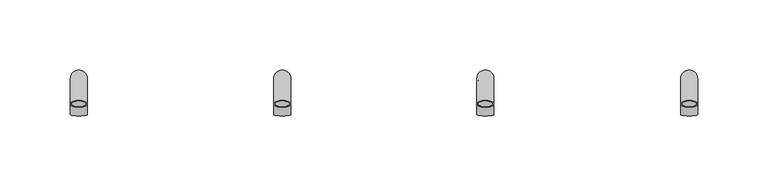
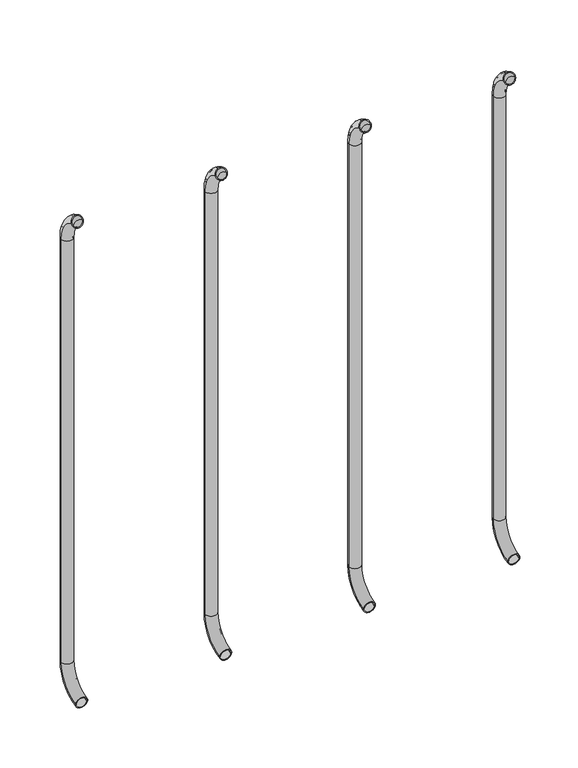
"""IFC4 building model written with IfcOpenShell, lengths in millimetres: beam geometry."""

from ifc_helpers import new_model, si_unit, point, frame, origin, place, context, project, spatial, polyline, circle_curve, ellipse_curve, trimmed, source, transform, mapped, element, save
from ifc_brep_helpers import plane_surface, cylinder_surface, revolved_surface, advanced_brep


def beam_fe28a446(model_context):
    return source(origin(), model_context, "Body", "AdvancedBrep", [
        advanced_brep(
        [(1286.5883695, 2847.768865, 1917.1908893), (1274.5883695, 2847.768865, 1917.1908893), (1285.5883695, 2847.768865, 1917.1908893), (1275.5883695, 2847.768865, 1917.1908893), (1275.5883695, 2865.8454818, 1889.6621238), (1285.5883695, 2865.8454818, 1889.6621238), (1274.5883695, 2865.8454818, 1889.6621238), (1286.5883695, 2865.8454818, 1889.6621238), (1285.5883695, 2865.8454818, 1440.7084898), (1275.5883695, 2865.8454818, 1440.7084898), (1286.5883695, 2865.8454818, 1440.7084898), (1274.5883695, 2865.8454818, 1440.7084898), (1286.5883695, 2840.2259057, 1411.0300146), (1274.5883695, 2840.2259057, 1411.0300146), (1285.5883695, 2840.2259057, 1411.0300146), (1275.5883695, 2840.2259057, 1411.0300146)],
        [
            (0, 1, circle_curve(frame((1280.5883695, 2847.768865, 1917.1908893), z_axis=(0.0, -0.9176255197351176, 0.3974461039321624), x_axis=(-1.0, 0.0, 0.0)), 6.0)),
            (1, 0, circle_curve(frame((1280.5883695, 2847.768865, 1917.1908893), z_axis=(0.0, -0.9176255197351176, 0.3974461039321624), x_axis=(-1.0, 0.0, 0.0)), 6.0)),
            (2, 3, circle_curve(frame((1280.5883695, 2847.768865, 1917.1908893), z_axis=(0.0, 0.9176255197351176, -0.3974461039321624), x_axis=(-1.0, 0.0, 0.0)), 5.0)),
            (3, 2, circle_curve(frame((1280.5883695, 2847.768865, 1917.1908893), z_axis=(0.0, 0.9176255197351176, -0.3974461039321624), x_axis=(-1.0, 0.0, 0.0)), 5.0)),
            (4, 3, circle_curve(frame((1275.5883695, 2835.8454818, 1889.6621238), z_axis=(1.0, 0.0, 0.0), x_axis=(0.0, 0.3974461039321624, 0.9176255197351176)), 30.0)),
            (2, 5, circle_curve(frame((1285.5883695, 2835.8454818, 1889.6621238), z_axis=(-1.0, 0.0, 0.0), x_axis=(0.0, 0.3974461039321624, 0.9176255197351176)), 30.0)),
            (5, 4, circle_curve(frame((1280.5883695, 2865.8454818, 1889.6621238), z_axis=(0.0, 0.0, -1.0), x_axis=(-1.0, 0.0, 0.0)), 5.0)),
            (4, 5, circle_curve(frame((1280.5883695, 2865.8454818, 1889.6621238), z_axis=(0.0, 0.0, -1.0), x_axis=(-1.0, 0.0, 0.0)), 5.0)),
            (6, 1, circle_curve(frame((1274.5883695, 2835.8454818, 1889.6621238), z_axis=(1.0, 0.0, 0.0), x_axis=(0.0, 0.3974461039321624, 0.9176255197351176)), 30.0)),
            (0, 7, circle_curve(frame((1286.5883695, 2835.8454818, 1889.6621238), z_axis=(-1.0, 0.0, 0.0), x_axis=(0.0, 0.3974461039321624, 0.9176255197351176)), 30.0)),
            (7, 6, circle_curve(frame((1280.5883695, 2865.8454818, 1889.6621238), z_axis=(0.0, 0.0, 1.0), x_axis=(-1.0, 0.0, 0.0)), 6.0)),
            (6, 7, circle_curve(frame((1280.5883695, 2865.8454818, 1889.6621238), z_axis=(0.0, 0.0, 1.0), x_axis=(-1.0, 0.0, 0.0)), 6.0)),
            (5, 8),
            (8, 9, circle_curve(frame((1280.5883695, 2865.8454818, 1440.7084898), z_axis=(0.0, 0.0, -1.0), x_axis=(-1.0, 0.0, 0.0)), 5.0)),
            (9, 4),
            (9, 8, circle_curve(frame((1280.5883695, 2865.8454818, 1440.7084898), z_axis=(0.0, 0.0, -1.0), x_axis=(-1.0, 0.0, 0.0)), 5.0)),
            (7, 10),
            (10, 11, circle_curve(frame((1280.5883695, 2865.8454818, 1440.7084898), z_axis=(0.0, 0.0, 1.0), x_axis=(-1.0, 0.0, 0.0)), 6.0)),
            (11, 6),
            (11, 10, circle_curve(frame((1280.5883695, 2865.8454818, 1440.7084898), z_axis=(0.0, 0.0, 1.0), x_axis=(-1.0, 0.0, 0.0)), 6.0)),
            (12, 13, circle_curve(frame((1280.5883695, 2840.2259057, 1411.0300146), z_axis=(0.0, -0.9892825047438852, -0.14601412879466394), x_axis=(-1.0, 0.0, 0.0)), 6.0)),
            (13, 12, circle_curve(frame((1280.5883695, 2840.2259057, 1411.0300146), z_axis=(0.0, -0.9892825047438852, -0.14601412879466394), x_axis=(-1.0, 0.0, 0.0)), 6.0)),
            (14, 15, circle_curve(frame((1280.5883695, 2840.2259057, 1411.0300146), z_axis=(0.0, 0.9892825047438852, 0.14601412879466394), x_axis=(-1.0, 0.0, 0.0)), 5.0)),
            (15, 14, circle_curve(frame((1280.5883695, 2840.2259057, 1411.0300146), z_axis=(0.0, 0.9892825047438852, 0.14601412879466394), x_axis=(-1.0, 0.0, 0.0)), 5.0)),
            (15, 9, circle_curve(frame((1275.5883695, 2835.8454818, 1440.7084898), z_axis=(1.0, 0.0, 0.0), x_axis=(0.0, 1.0, 0.0)), 30.0)),
            (8, 14, circle_curve(frame((1285.5883695, 2835.8454818, 1440.7084898), z_axis=(-1.0, 0.0, 0.0), x_axis=(0.0, 1.0, 0.0)), 30.0)),
            (13, 11, circle_curve(frame((1274.5883695, 2835.8454818, 1440.7084898), z_axis=(1.0, 0.0, 0.0), x_axis=(0.0, 1.0, 0.0)), 30.0)),
            (10, 12, circle_curve(frame((1286.5883695, 2835.8454818, 1440.7084898), z_axis=(-1.0, 0.0, 0.0), x_axis=(0.0, 1.0, 0.0)), 30.0)),
        ],
        [
            plane_surface(frame((1280.5883695, 2847.768865, 1917.1908893), z_axis=(0.0, -0.9176255197351176, 0.3974461039321624), x_axis=(-1.0, 0.0, 0.0))),
            revolved_surface(trimmed(ellipse_curve(frame((1280.5883695, 2847.768865, 1917.1908893), z_axis=(0.0, 0.9176255197351176, -0.3974461039321624), x_axis=(-1.0, 0.0, 0.0)), 5.0, 5.0), [point((1285.5883695, 2847.768865, 1917.1908893))], [point((1275.5883695, 2847.768865, 1917.1908893))], True, "CARTESIAN"), (1280.5883695, 2835.8454818, 1889.6621238), (-1.0, 0.0, 0.0)),
            revolved_surface(trimmed(ellipse_curve(frame((1280.5883695, 2847.768865, 1917.1908893), z_axis=(0.0, 0.9176255197351176, -0.3974461039321624), x_axis=(-1.0, 0.0, 0.0)), 5.0, 5.0), [point((1275.5883695, 2847.768865, 1917.1908893))], [point((1285.5883695, 2847.768865, 1917.1908893))], True, "CARTESIAN"), (1280.5883695, 2835.8454818, 1889.6621238), (-1.0, 0.0, 0.0)),
            revolved_surface(trimmed(ellipse_curve(frame((1280.5883695, 2847.768865, 1917.1908893), z_axis=(0.0, -0.9176255197351176, 0.3974461039321624), x_axis=(-1.0, 0.0, 0.0)), 6.0, 6.0), [point((1286.5883695, 2847.768865, 1917.1908893))], [point((1274.5883695, 2847.768865, 1917.1908893))], True, "CARTESIAN"), (1280.5883695, 2835.8454818, 1889.6621238), (-1.0, 0.0, 0.0)),
            revolved_surface(trimmed(ellipse_curve(frame((1280.5883695, 2847.768865, 1917.1908893), z_axis=(0.0, -0.9176255197351176, 0.3974461039321624), x_axis=(-1.0, 0.0, 0.0)), 6.0, 6.0), [point((1274.5883695, 2847.768865, 1917.1908893))], [point((1286.5883695, 2847.768865, 1917.1908893))], True, "CARTESIAN"), (1280.5883695, 2835.8454818, 1889.6621238), (-1.0, 0.0, 0.0)),
            revolved_surface(polyline([(1275.5883695, 2865.8454818, 1440.7084898), (1275.5883695, 2865.8454818, 1889.6621238)]), (1280.5883695, 2865.8454818, 1889.6621238), (0.0, 0.0, -1.0)),
            cylinder_surface(frame((1280.5883695, 2865.8454818, 1889.6621238), z_axis=(0.0, 0.0, 1.0), x_axis=(-1.0, 0.0, 0.0)), 6.0),
            plane_surface(frame((1280.5883695, 2840.2259057, 1411.0300146), z_axis=(0.0, -0.9892825047438852, -0.14601412879466397), x_axis=(-1.0, 0.0, 0.0))),
            revolved_surface(trimmed(ellipse_curve(frame((1280.5883695, 2865.8454818, 1440.7084898), z_axis=(0.0, 0.0, -1.0), x_axis=(-1.0, 0.0, 0.0)), 5.0, 5.0), [point((1285.5883695, 2865.8454818, 1440.7084898))], [point((1275.5883695, 2865.8454818, 1440.7084898))], True, "CARTESIAN"), (1280.5883695, 2835.8454818, 1440.7084898), (-1.0, 0.0, 0.0)),
            revolved_surface(trimmed(ellipse_curve(frame((1280.5883695, 2865.8454818, 1440.7084898), z_axis=(0.0, 0.0, -1.0), x_axis=(-1.0, 0.0, 0.0)), 5.0, 5.0), [point((1275.5883695, 2865.8454818, 1440.7084898))], [point((1285.5883695, 2865.8454818, 1440.7084898))], True, "CARTESIAN"), (1280.5883695, 2835.8454818, 1440.7084898), (-1.0, 0.0, 0.0)),
            revolved_surface(trimmed(ellipse_curve(frame((1280.5883695, 2865.8454818, 1440.7084898), z_axis=(0.0, 0.0, 1.0), x_axis=(-1.0, 0.0, 0.0)), 6.0, 6.0), [point((1286.5883695, 2865.8454818, 1440.7084898))], [point((1274.5883695, 2865.8454818, 1440.7084898))], True, "CARTESIAN"), (1280.5883695, 2835.8454818, 1440.7084898), (-1.0, 0.0, 0.0)),
            revolved_surface(trimmed(ellipse_curve(frame((1280.5883695, 2865.8454818, 1440.7084898), z_axis=(0.0, 0.0, 1.0), x_axis=(-1.0, 0.0, 0.0)), 6.0, 6.0), [point((1274.5883695, 2865.8454818, 1440.7084898))], [point((1286.5883695, 2865.8454818, 1440.7084898))], True, "CARTESIAN"), (1280.5883695, 2835.8454818, 1440.7084898), (-1.0, 0.0, 0.0)),
        ],
        [
            (0, [[1, 2], [3, 4]]),
            (1, [[5, -3, 6, 7]]),
            (2, [[-6, -4, -5, 8]]),
            (3, [[9, -1, 10, 11]]),
            (4, [[-10, -2, -9, 12]]),
            (5, [[-7, 13, 14, 15]]),
            (5, [[-8, -15, 16, -13]]),
            (6, [[-11, 17, 18, 19]]),
            (6, [[-12, -19, 20, -17]]),
            (7, [[21, 22], [23, 24]]),
            (8, [[25, -14, 26, -24]]),
            (9, [[-26, -16, -25, -23]]),
            (10, [[27, -18, 28, -22]]),
            (11, [[-28, -20, -27, -21]]),
        ],
    ),
        advanced_brep(
        [(1431.2758695, 2847.768865, 1917.1908893), (1419.2758695, 2847.768865, 1917.1908893), (1430.2758695, 2847.768865, 1917.1908893), (1420.2758695, 2847.768865, 1917.1908893), (1420.2758695, 2865.8454818, 1889.6621238), (1430.2758695, 2865.8454818, 1889.6621238), (1419.2758695, 2865.8454818, 1889.6621238), (1431.2758695, 2865.8454818, 1889.6621238), (1430.2758695, 2865.8454818, 1440.7084898), (1420.2758695, 2865.8454818, 1440.7084898), (1431.2758695, 2865.8454818, 1440.7084898), (1419.2758695, 2865.8454818, 1440.7084898), (1431.2758695, 2840.2259057, 1411.0300146), (1419.2758695, 2840.2259057, 1411.0300146), (1430.2758695, 2840.2259057, 1411.0300146), (1420.2758695, 2840.2259057, 1411.0300146)],
        [
            (0, 1, circle_curve(frame((1425.2758695, 2847.768865, 1917.1908893), z_axis=(0.0, -0.9176255197351176, 0.3974461039321624), x_axis=(-1.0, 0.0, 0.0)), 6.0)),
            (1, 0, circle_curve(frame((1425.2758695, 2847.768865, 1917.1908893), z_axis=(0.0, -0.9176255197351176, 0.3974461039321624), x_axis=(-1.0, 0.0, 0.0)), 6.0)),
            (2, 3, circle_curve(frame((1425.2758695, 2847.768865, 1917.1908893), z_axis=(0.0, 0.9176255197351176, -0.3974461039321624), x_axis=(-1.0, 0.0, 0.0)), 5.0)),
            (3, 2, circle_curve(frame((1425.2758695, 2847.768865, 1917.1908893), z_axis=(0.0, 0.9176255197351176, -0.3974461039321624), x_axis=(-1.0, 0.0, 0.0)), 5.0)),
            (4, 3, circle_curve(frame((1420.2758695, 2835.8454818, 1889.6621238), z_axis=(1.0, 0.0, 0.0), x_axis=(0.0, 0.3974461039321624, 0.9176255197351176)), 30.0)),
            (2, 5, circle_curve(frame((1430.2758695, 2835.8454818, 1889.6621238), z_axis=(-1.0, 0.0, 0.0), x_axis=(0.0, 0.3974461039321624, 0.9176255197351176)), 30.0)),
            (5, 4, circle_curve(frame((1425.2758695, 2865.8454818, 1889.6621238), z_axis=(0.0, 0.0, -1.0), x_axis=(-1.0, 0.0, 0.0)), 5.0)),
            (4, 5, circle_curve(frame((1425.2758695, 2865.8454818, 1889.6621238), z_axis=(0.0, 0.0, -1.0), x_axis=(-1.0, 0.0, 0.0)), 5.0)),
            (6, 1, circle_curve(frame((1419.2758695, 2835.8454818, 1889.6621238), z_axis=(1.0, 0.0, 0.0), x_axis=(0.0, 0.3974461039321624, 0.9176255197351176)), 30.0)),
            (0, 7, circle_curve(frame((1431.2758695, 2835.8454818, 1889.6621238), z_axis=(-1.0, 0.0, 0.0), x_axis=(0.0, 0.3974461039321624, 0.9176255197351176)), 30.0)),
            (7, 6, circle_curve(frame((1425.2758695, 2865.8454818, 1889.6621238), z_axis=(0.0, 0.0, 1.0), x_axis=(-1.0, 0.0, 0.0)), 6.0)),
            (6, 7, circle_curve(frame((1425.2758695, 2865.8454818, 1889.6621238), z_axis=(0.0, 0.0, 1.0), x_axis=(-1.0, 0.0, 0.0)), 6.0)),
            (5, 8),
            (8, 9, circle_curve(frame((1425.2758695, 2865.8454818, 1440.7084898), z_axis=(0.0, 0.0, -1.0), x_axis=(-1.0, 0.0, 0.0)), 5.0)),
            (9, 4),
            (9, 8, circle_curve(frame((1425.2758695, 2865.8454818, 1440.7084898), z_axis=(0.0, 0.0, -1.0), x_axis=(-1.0, 0.0, 0.0)), 5.0)),
            (7, 10),
            (10, 11, circle_curve(frame((1425.2758695, 2865.8454818, 1440.7084898), z_axis=(0.0, 0.0, 1.0), x_axis=(-1.0, 0.0, 0.0)), 6.0)),
            (11, 6),
            (11, 10, circle_curve(frame((1425.2758695, 2865.8454818, 1440.7084898), z_axis=(0.0, 0.0, 1.0), x_axis=(-1.0, 0.0, 0.0)), 6.0)),
            (12, 13, circle_curve(frame((1425.2758695, 2840.2259057, 1411.0300146), z_axis=(0.0, -0.9892825047438852, -0.14601412879466394), x_axis=(-1.0, 0.0, 0.0)), 6.0)),
            (13, 12, circle_curve(frame((1425.2758695, 2840.2259057, 1411.0300146), z_axis=(0.0, -0.9892825047438852, -0.14601412879466394), x_axis=(-1.0, 0.0, 0.0)), 6.0)),
            (14, 15, circle_curve(frame((1425.2758695, 2840.2259057, 1411.0300146), z_axis=(0.0, 0.9892825047438852, 0.14601412879466394), x_axis=(-1.0, 0.0, 0.0)), 5.0)),
            (15, 14, circle_curve(frame((1425.2758695, 2840.2259057, 1411.0300146), z_axis=(0.0, 0.9892825047438852, 0.14601412879466394), x_axis=(-1.0, 0.0, 0.0)), 5.0)),
            (15, 9, circle_curve(frame((1420.2758695, 2835.8454818, 1440.7084898), z_axis=(1.0, 0.0, 0.0), x_axis=(0.0, 1.0, 0.0)), 30.0)),
            (8, 14, circle_curve(frame((1430.2758695, 2835.8454818, 1440.7084898), z_axis=(-1.0, 0.0, 0.0), x_axis=(0.0, 1.0, 0.0)), 30.0)),
            (13, 11, circle_curve(frame((1419.2758695, 2835.8454818, 1440.7084898), z_axis=(1.0, 0.0, 0.0), x_axis=(0.0, 1.0, 0.0)), 30.0)),
            (10, 12, circle_curve(frame((1431.2758695, 2835.8454818, 1440.7084898), z_axis=(-1.0, 0.0, 0.0), x_axis=(0.0, 1.0, 0.0)), 30.0)),
        ],
        [
            plane_surface(frame((1425.2758695, 2847.768865, 1917.1908893), z_axis=(0.0, -0.9176255197351176, 0.3974461039321624), x_axis=(-1.0, 0.0, 0.0))),
            revolved_surface(trimmed(ellipse_curve(frame((1425.2758695, 2847.768865, 1917.1908893), z_axis=(0.0, 0.9176255197351176, -0.3974461039321624), x_axis=(-1.0, 0.0, 0.0)), 5.0, 5.0), [point((1430.2758695, 2847.768865, 1917.1908893))], [point((1420.2758695, 2847.768865, 1917.1908893))], True, "CARTESIAN"), (1425.2758695, 2835.8454818, 1889.6621238), (-1.0, 0.0, 0.0)),
            revolved_surface(trimmed(ellipse_curve(frame((1425.2758695, 2847.768865, 1917.1908893), z_axis=(0.0, 0.9176255197351176, -0.3974461039321624), x_axis=(-1.0, 0.0, 0.0)), 5.0, 5.0), [point((1420.2758695, 2847.768865, 1917.1908893))], [point((1430.2758695, 2847.768865, 1917.1908893))], True, "CARTESIAN"), (1425.2758695, 2835.8454818, 1889.6621238), (-1.0, 0.0, 0.0)),
            revolved_surface(trimmed(ellipse_curve(frame((1425.2758695, 2847.768865, 1917.1908893), z_axis=(0.0, -0.9176255197351176, 0.3974461039321624), x_axis=(-1.0, 0.0, 0.0)), 6.0, 6.0), [point((1431.2758695, 2847.768865, 1917.1908893))], [point((1419.2758695, 2847.768865, 1917.1908893))], True, "CARTESIAN"), (1425.2758695, 2835.8454818, 1889.6621238), (-1.0, 0.0, 0.0)),
            revolved_surface(trimmed(ellipse_curve(frame((1425.2758695, 2847.768865, 1917.1908893), z_axis=(0.0, -0.9176255197351176, 0.3974461039321624), x_axis=(-1.0, 0.0, 0.0)), 6.0, 6.0), [point((1419.2758695, 2847.768865, 1917.1908893))], [point((1431.2758695, 2847.768865, 1917.1908893))], True, "CARTESIAN"), (1425.2758695, 2835.8454818, 1889.6621238), (-1.0, 0.0, 0.0)),
            revolved_surface(polyline([(1420.2758695, 2865.8454818, 1440.7084898), (1420.2758695, 2865.8454818, 1889.6621238)]), (1425.2758695, 2865.8454818, 1889.6621238), (0.0, 0.0, -1.0)),
            cylinder_surface(frame((1425.2758695, 2865.8454818, 1889.6621238), z_axis=(0.0, 0.0, 1.0), x_axis=(-1.0, 0.0, 0.0)), 6.0),
            plane_surface(frame((1425.2758695, 2840.2259057, 1411.0300146), z_axis=(0.0, -0.9892825047438852, -0.14601412879466397), x_axis=(-1.0, 0.0, 0.0))),
            revolved_surface(trimmed(ellipse_curve(frame((1425.2758695, 2865.8454818, 1440.7084898), z_axis=(0.0, 0.0, -1.0), x_axis=(-1.0, 0.0, 0.0)), 5.0, 5.0), [point((1430.2758695, 2865.8454818, 1440.7084898))], [point((1420.2758695, 2865.8454818, 1440.7084898))], True, "CARTESIAN"), (1425.2758695, 2835.8454818, 1440.7084898), (-1.0, 0.0, 0.0)),
            revolved_surface(trimmed(ellipse_curve(frame((1425.2758695, 2865.8454818, 1440.7084898), z_axis=(0.0, 0.0, -1.0), x_axis=(-1.0, 0.0, 0.0)), 5.0, 5.0), [point((1420.2758695, 2865.8454818, 1440.7084898))], [point((1430.2758695, 2865.8454818, 1440.7084898))], True, "CARTESIAN"), (1425.2758695, 2835.8454818, 1440.7084898), (-1.0, 0.0, 0.0)),
            revolved_surface(trimmed(ellipse_curve(frame((1425.2758695, 2865.8454818, 1440.7084898), z_axis=(0.0, 0.0, 1.0), x_axis=(-1.0, 0.0, 0.0)), 6.0, 6.0), [point((1431.2758695, 2865.8454818, 1440.7084898))], [point((1419.2758695, 2865.8454818, 1440.7084898))], True, "CARTESIAN"), (1425.2758695, 2835.8454818, 1440.7084898), (-1.0, 0.0, 0.0)),
            revolved_surface(trimmed(ellipse_curve(frame((1425.2758695, 2865.8454818, 1440.7084898), z_axis=(0.0, 0.0, 1.0), x_axis=(-1.0, 0.0, 0.0)), 6.0, 6.0), [point((1419.2758695, 2865.8454818, 1440.7084898))], [point((1431.2758695, 2865.8454818, 1440.7084898))], True, "CARTESIAN"), (1425.2758695, 2835.8454818, 1440.7084898), (-1.0, 0.0, 0.0)),
        ],
        [
            (0, [[1, 2], [3, 4]]),
            (1, [[5, -3, 6, 7]]),
            (2, [[-6, -4, -5, 8]]),
            (3, [[9, -1, 10, 11]]),
            (4, [[-10, -2, -9, 12]]),
            (5, [[-7, 13, 14, 15]]),
            (5, [[-8, -15, 16, -13]]),
            (6, [[-11, 17, 18, 19]]),
            (6, [[-12, -19, 20, -17]]),
            (7, [[21, 22], [23, 24]]),
            (8, [[25, -14, 26, -24]]),
            (9, [[-26, -16, -25, -23]]),
            (10, [[27, -18, 28, -22]]),
            (11, [[-28, -20, -27, -21]]),
        ],
    ),
        advanced_brep(
        [(1575.6508695, 2847.768865, 1917.1908893), (1563.6508695, 2847.768865, 1917.1908893), (1574.6508695, 2847.768865, 1917.1908893), (1564.6508695, 2847.768865, 1917.1908893), (1564.6508695, 2865.8454818, 1889.6621238), (1574.6508695, 2865.8454818, 1889.6621238), (1563.6508695, 2865.8454818, 1889.6621238), (1575.6508695, 2865.8454818, 1889.6621238), (1574.6508695, 2865.8454818, 1440.7084898), (1564.6508695, 2865.8454818, 1440.7084898), (1575.6508695, 2865.8454818, 1440.7084898), (1563.6508695, 2865.8454818, 1440.7084898), (1575.6508695, 2840.2259057, 1411.0300146), (1563.6508695, 2840.2259057, 1411.0300146), (1574.6508695, 2840.2259057, 1411.0300146), (1564.6508695, 2840.2259057, 1411.0300146)],
        [
            (0, 1, circle_curve(frame((1569.6508695, 2847.768865, 1917.1908893), z_axis=(0.0, -0.9176255197351176, 0.3974461039321624), x_axis=(-1.0, 0.0, 0.0)), 6.0)),
            (1, 0, circle_curve(frame((1569.6508695, 2847.768865, 1917.1908893), z_axis=(0.0, -0.9176255197351176, 0.3974461039321624), x_axis=(-1.0, 0.0, 0.0)), 6.0)),
            (2, 3, circle_curve(frame((1569.6508695, 2847.768865, 1917.1908893), z_axis=(0.0, 0.9176255197351176, -0.3974461039321624), x_axis=(-1.0, 0.0, 0.0)), 5.0)),
            (3, 2, circle_curve(frame((1569.6508695, 2847.768865, 1917.1908893), z_axis=(0.0, 0.9176255197351176, -0.3974461039321624), x_axis=(-1.0, 0.0, 0.0)), 5.0)),
            (4, 3, circle_curve(frame((1564.6508695, 2835.8454818, 1889.6621238), z_axis=(1.0, 0.0, 0.0), x_axis=(0.0, 0.3974461039321624, 0.9176255197351176)), 30.0)),
            (2, 5, circle_curve(frame((1574.6508695, 2835.8454818, 1889.6621238), z_axis=(-1.0, 0.0, 0.0), x_axis=(0.0, 0.3974461039321624, 0.9176255197351176)), 30.0)),
            (5, 4, circle_curve(frame((1569.6508695, 2865.8454818, 1889.6621238), z_axis=(0.0, 0.0, -1.0), x_axis=(-1.0, 0.0, 0.0)), 5.0)),
            (4, 5, circle_curve(frame((1569.6508695, 2865.8454818, 1889.6621238), z_axis=(0.0, 0.0, -1.0), x_axis=(-1.0, 0.0, 0.0)), 5.0)),
            (6, 1, circle_curve(frame((1563.6508695, 2835.8454818, 1889.6621238), z_axis=(1.0, 0.0, 0.0), x_axis=(0.0, 0.3974461039321624, 0.9176255197351176)), 30.0)),
            (0, 7, circle_curve(frame((1575.6508695, 2835.8454818, 1889.6621238), z_axis=(-1.0, 0.0, 0.0), x_axis=(0.0, 0.3974461039321624, 0.9176255197351176)), 30.0)),
            (7, 6, circle_curve(frame((1569.6508695, 2865.8454818, 1889.6621238), z_axis=(0.0, 0.0, 1.0), x_axis=(-1.0, 0.0, 0.0)), 6.0)),
            (6, 7, circle_curve(frame((1569.6508695, 2865.8454818, 1889.6621238), z_axis=(0.0, 0.0, 1.0), x_axis=(-1.0, 0.0, 0.0)), 6.0)),
            (5, 8),
            (8, 9, circle_curve(frame((1569.6508695, 2865.8454818, 1440.7084898), z_axis=(0.0, 0.0, -1.0), x_axis=(-1.0, 0.0, 0.0)), 5.0)),
            (9, 4),
            (9, 8, circle_curve(frame((1569.6508695, 2865.8454818, 1440.7084898), z_axis=(0.0, 0.0, -1.0), x_axis=(-1.0, 0.0, 0.0)), 5.0)),
            (7, 10),
            (10, 11, circle_curve(frame((1569.6508695, 2865.8454818, 1440.7084898), z_axis=(0.0, 0.0, 1.0), x_axis=(-1.0, 0.0, 0.0)), 6.0)),
            (11, 6),
            (11, 10, circle_curve(frame((1569.6508695, 2865.8454818, 1440.7084898), z_axis=(0.0, 0.0, 1.0), x_axis=(-1.0, 0.0, 0.0)), 6.0)),
            (12, 13, circle_curve(frame((1569.6508695, 2840.2259057, 1411.0300146), z_axis=(0.0, -0.9892825047438852, -0.14601412879466394), x_axis=(-1.0, 0.0, 0.0)), 6.0)),
            (13, 12, circle_curve(frame((1569.6508695, 2840.2259057, 1411.0300146), z_axis=(0.0, -0.9892825047438852, -0.14601412879466394), x_axis=(-1.0, 0.0, 0.0)), 6.0)),
            (14, 15, circle_curve(frame((1569.6508695, 2840.2259057, 1411.0300146), z_axis=(0.0, 0.9892825047438852, 0.14601412879466394), x_axis=(-1.0, 0.0, 0.0)), 5.0)),
            (15, 14, circle_curve(frame((1569.6508695, 2840.2259057, 1411.0300146), z_axis=(0.0, 0.9892825047438852, 0.14601412879466394), x_axis=(-1.0, 0.0, 0.0)), 5.0)),
            (15, 9, circle_curve(frame((1564.6508695, 2835.8454818, 1440.7084898), z_axis=(1.0, 0.0, 0.0), x_axis=(0.0, 1.0, 0.0)), 30.0)),
            (8, 14, circle_curve(frame((1574.6508695, 2835.8454818, 1440.7084898), z_axis=(-1.0, 0.0, 0.0), x_axis=(0.0, 1.0, 0.0)), 30.0)),
            (13, 11, circle_curve(frame((1563.6508695, 2835.8454818, 1440.7084898), z_axis=(1.0, 0.0, 0.0), x_axis=(0.0, 1.0, 0.0)), 30.0)),
            (10, 12, circle_curve(frame((1575.6508695, 2835.8454818, 1440.7084898), z_axis=(-1.0, 0.0, 0.0), x_axis=(0.0, 1.0, 0.0)), 30.0)),
        ],
        [
            plane_surface(frame((1569.6508695, 2847.768865, 1917.1908893), z_axis=(0.0, -0.9176255197351176, 0.3974461039321624), x_axis=(-1.0, 0.0, 0.0))),
            revolved_surface(trimmed(ellipse_curve(frame((1569.6508695, 2847.768865, 1917.1908893), z_axis=(0.0, 0.9176255197351176, -0.3974461039321624), x_axis=(-1.0, 0.0, 0.0)), 5.0, 5.0), [point((1574.6508695, 2847.768865, 1917.1908893))], [point((1564.6508695, 2847.768865, 1917.1908893))], True, "CARTESIAN"), (1569.6508695, 2835.8454818, 1889.6621238), (-1.0, 0.0, 0.0)),
            revolved_surface(trimmed(ellipse_curve(frame((1569.6508695, 2847.768865, 1917.1908893), z_axis=(0.0, 0.9176255197351176, -0.3974461039321624), x_axis=(-1.0, 0.0, 0.0)), 5.0, 5.0), [point((1564.6508695, 2847.768865, 1917.1908893))], [point((1574.6508695, 2847.768865, 1917.1908893))], True, "CARTESIAN"), (1569.6508695, 2835.8454818, 1889.6621238), (-1.0, 0.0, 0.0)),
            revolved_surface(trimmed(ellipse_curve(frame((1569.6508695, 2847.768865, 1917.1908893), z_axis=(0.0, -0.9176255197351176, 0.3974461039321624), x_axis=(-1.0, 0.0, 0.0)), 6.0, 6.0), [point((1575.6508695, 2847.768865, 1917.1908893))], [point((1563.6508695, 2847.768865, 1917.1908893))], True, "CARTESIAN"), (1569.6508695, 2835.8454818, 1889.6621238), (-1.0, 0.0, 0.0)),
            revolved_surface(trimmed(ellipse_curve(frame((1569.6508695, 2847.768865, 1917.1908893), z_axis=(0.0, -0.9176255197351176, 0.3974461039321624), x_axis=(-1.0, 0.0, 0.0)), 6.0, 6.0), [point((1563.6508695, 2847.768865, 1917.1908893))], [point((1575.6508695, 2847.768865, 1917.1908893))], True, "CARTESIAN"), (1569.6508695, 2835.8454818, 1889.6621238), (-1.0, 0.0, 0.0)),
            revolved_surface(polyline([(1564.6508695, 2865.8454818, 1440.7084898), (1564.6508695, 2865.8454818, 1889.6621238)]), (1569.6508695, 2865.8454818, 1889.6621238), (0.0, 0.0, -1.0)),
            cylinder_surface(frame((1569.6508695, 2865.8454818, 1889.6621238), z_axis=(0.0, 0.0, 1.0), x_axis=(-1.0, 0.0, 0.0)), 6.0),
            plane_surface(frame((1569.6508695, 2840.2259057, 1411.0300146), z_axis=(0.0, -0.9892825047438852, -0.14601412879466397), x_axis=(-1.0, 0.0, 0.0))),
            revolved_surface(trimmed(ellipse_curve(frame((1569.6508695, 2865.8454818, 1440.7084898), z_axis=(0.0, 0.0, -1.0), x_axis=(-1.0, 0.0, 0.0)), 5.0, 5.0), [point((1574.6508695, 2865.8454818, 1440.7084898))], [point((1564.6508695, 2865.8454818, 1440.7084898))], True, "CARTESIAN"), (1569.6508695, 2835.8454818, 1440.7084898), (-1.0, 0.0, 0.0)),
            revolved_surface(trimmed(ellipse_curve(frame((1569.6508695, 2865.8454818, 1440.7084898), z_axis=(0.0, 0.0, -1.0), x_axis=(-1.0, 0.0, 0.0)), 5.0, 5.0), [point((1564.6508695, 2865.8454818, 1440.7084898))], [point((1574.6508695, 2865.8454818, 1440.7084898))], True, "CARTESIAN"), (1569.6508695, 2835.8454818, 1440.7084898), (-1.0, 0.0, 0.0)),
            revolved_surface(trimmed(ellipse_curve(frame((1569.6508695, 2865.8454818, 1440.7084898), z_axis=(0.0, 0.0, 1.0), x_axis=(-1.0, 0.0, 0.0)), 6.0, 6.0), [point((1575.6508695, 2865.8454818, 1440.7084898))], [point((1563.6508695, 2865.8454818, 1440.7084898))], True, "CARTESIAN"), (1569.6508695, 2835.8454818, 1440.7084898), (-1.0, 0.0, 0.0)),
            revolved_surface(trimmed(ellipse_curve(frame((1569.6508695, 2865.8454818, 1440.7084898), z_axis=(0.0, 0.0, 1.0), x_axis=(-1.0, 0.0, 0.0)), 6.0, 6.0), [point((1563.6508695, 2865.8454818, 1440.7084898))], [point((1575.6508695, 2865.8454818, 1440.7084898))], True, "CARTESIAN"), (1569.6508695, 2835.8454818, 1440.7084898), (-1.0, 0.0, 0.0)),
        ],
        [
            (0, [[1, 2], [3, 4]]),
            (1, [[5, -3, 6, 7]]),
            (2, [[-6, -4, -5, 8]]),
            (3, [[9, -1, 10, 11]]),
            (4, [[-10, -2, -9, 12]]),
            (5, [[-7, 13, 14, 15]]),
            (5, [[-8, -15, 16, -13]]),
            (6, [[-11, 17, 18, 19]]),
            (6, [[-12, -19, 20, -17]]),
            (7, [[21, 22], [23, 24]]),
            (8, [[25, -14, 26, -24]]),
            (9, [[-26, -16, -25, -23]]),
            (10, [[27, -18, 28, -22]]),
            (11, [[-28, -20, -27, -21]]),
        ],
    ),
        advanced_brep(
        [(1720.6508695, 2847.768865, 1917.1908893), (1708.6508695, 2847.768865, 1917.1908893), (1719.6508695, 2847.768865, 1917.1908893), (1709.6508695, 2847.768865, 1917.1908893), (1709.6508695, 2865.8454818, 1889.6621238), (1719.6508695, 2865.8454818, 1889.6621238), (1708.6508695, 2865.8454818, 1889.6621238), (1720.6508695, 2865.8454818, 1889.6621238), (1719.6508695, 2865.8454818, 1440.7084898), (1709.6508695, 2865.8454818, 1440.7084898), (1720.6508695, 2865.8454818, 1440.7084898), (1708.6508695, 2865.8454818, 1440.7084898), (1720.6508695, 2840.2259057, 1411.0300146), (1708.6508695, 2840.2259057, 1411.0300146), (1719.6508695, 2840.2259057, 1411.0300146), (1709.6508695, 2840.2259057, 1411.0300146)],
        [
            (0, 1, circle_curve(frame((1714.6508695, 2847.768865, 1917.1908893), z_axis=(0.0, -0.9176255197351176, 0.3974461039321624), x_axis=(-1.0, 0.0, 0.0)), 6.0)),
            (1, 0, circle_curve(frame((1714.6508695, 2847.768865, 1917.1908893), z_axis=(0.0, -0.9176255197351176, 0.3974461039321624), x_axis=(-1.0, 0.0, 0.0)), 6.0)),
            (2, 3, circle_curve(frame((1714.6508695, 2847.768865, 1917.1908893), z_axis=(0.0, 0.9176255197351176, -0.3974461039321624), x_axis=(-1.0, 0.0, 0.0)), 5.0)),
            (3, 2, circle_curve(frame((1714.6508695, 2847.768865, 1917.1908893), z_axis=(0.0, 0.9176255197351176, -0.3974461039321624), x_axis=(-1.0, 0.0, 0.0)), 5.0)),
            (4, 3, circle_curve(frame((1709.6508695, 2835.8454818, 1889.6621238), z_axis=(1.0, 0.0, 0.0), x_axis=(0.0, 0.3974461039321624, 0.9176255197351176)), 30.0)),
            (2, 5, circle_curve(frame((1719.6508695, 2835.8454818, 1889.6621238), z_axis=(-1.0, 0.0, 0.0), x_axis=(0.0, 0.3974461039321624, 0.9176255197351176)), 30.0)),
            (5, 4, circle_curve(frame((1714.6508695, 2865.8454818, 1889.6621238), z_axis=(0.0, 0.0, -1.0), x_axis=(-1.0, 0.0, 0.0)), 5.0)),
            (4, 5, circle_curve(frame((1714.6508695, 2865.8454818, 1889.6621238), z_axis=(0.0, 0.0, -1.0), x_axis=(-1.0, 0.0, 0.0)), 5.0)),
            (6, 1, circle_curve(frame((1708.6508695, 2835.8454818, 1889.6621238), z_axis=(1.0, 0.0, 0.0), x_axis=(0.0, 0.3974461039321624, 0.9176255197351176)), 30.0)),
            (0, 7, circle_curve(frame((1720.6508695, 2835.8454818, 1889.6621238), z_axis=(-1.0, 0.0, 0.0), x_axis=(0.0, 0.3974461039321624, 0.9176255197351176)), 30.0)),
            (7, 6, circle_curve(frame((1714.6508695, 2865.8454818, 1889.6621238), z_axis=(0.0, 0.0, 1.0), x_axis=(-1.0, 0.0, 0.0)), 6.0)),
            (6, 7, circle_curve(frame((1714.6508695, 2865.8454818, 1889.6621238), z_axis=(0.0, 0.0, 1.0), x_axis=(-1.0, 0.0, 0.0)), 6.0)),
            (5, 8),
            (8, 9, circle_curve(frame((1714.6508695, 2865.8454818, 1440.7084898), z_axis=(0.0, 0.0, -1.0), x_axis=(-1.0, 0.0, 0.0)), 5.0)),
            (9, 4),
            (9, 8, circle_curve(frame((1714.6508695, 2865.8454818, 1440.7084898), z_axis=(0.0, 0.0, -1.0), x_axis=(-1.0, 0.0, 0.0)), 5.0)),
            (7, 10),
            (10, 11, circle_curve(frame((1714.6508695, 2865.8454818, 1440.7084898), z_axis=(0.0, 0.0, 1.0), x_axis=(-1.0, 0.0, 0.0)), 6.0)),
            (11, 6),
            (11, 10, circle_curve(frame((1714.6508695, 2865.8454818, 1440.7084898), z_axis=(0.0, 0.0, 1.0), x_axis=(-1.0, 0.0, 0.0)), 6.0)),
            (12, 13, circle_curve(frame((1714.6508695, 2840.2259057, 1411.0300146), z_axis=(0.0, -0.9892825047438852, -0.14601412879466394), x_axis=(-1.0, 0.0, 0.0)), 6.0)),
            (13, 12, circle_curve(frame((1714.6508695, 2840.2259057, 1411.0300146), z_axis=(0.0, -0.9892825047438852, -0.14601412879466394), x_axis=(-1.0, 0.0, 0.0)), 6.0)),
            (14, 15, circle_curve(frame((1714.6508695, 2840.2259057, 1411.0300146), z_axis=(0.0, 0.9892825047438852, 0.14601412879466394), x_axis=(-1.0, 0.0, 0.0)), 5.0)),
            (15, 14, circle_curve(frame((1714.6508695, 2840.2259057, 1411.0300146), z_axis=(0.0, 0.9892825047438852, 0.14601412879466394), x_axis=(-1.0, 0.0, 0.0)), 5.0)),
            (15, 9, circle_curve(frame((1709.6508695, 2835.8454818, 1440.7084898), z_axis=(1.0, 0.0, 0.0), x_axis=(0.0, 1.0, 0.0)), 30.0)),
            (8, 14, circle_curve(frame((1719.6508695, 2835.8454818, 1440.7084898), z_axis=(-1.0, 0.0, 0.0), x_axis=(0.0, 1.0, 0.0)), 30.0)),
            (13, 11, circle_curve(frame((1708.6508695, 2835.8454818, 1440.7084898), z_axis=(1.0, 0.0, 0.0), x_axis=(0.0, 1.0, 0.0)), 30.0)),
            (10, 12, circle_curve(frame((1720.6508695, 2835.8454818, 1440.7084898), z_axis=(-1.0, 0.0, 0.0), x_axis=(0.0, 1.0, 0.0)), 30.0)),
        ],
        [
            plane_surface(frame((1714.6508695, 2847.768865, 1917.1908893), z_axis=(0.0, -0.9176255197351176, 0.3974461039321624), x_axis=(-1.0, 0.0, 0.0))),
            revolved_surface(trimmed(ellipse_curve(frame((1714.6508695, 2847.768865, 1917.1908893), z_axis=(0.0, 0.9176255197351176, -0.3974461039321624), x_axis=(-1.0, 0.0, 0.0)), 5.0, 5.0), [point((1719.6508695, 2847.768865, 1917.1908893))], [point((1709.6508695, 2847.768865, 1917.1908893))], True, "CARTESIAN"), (1714.6508695, 2835.8454818, 1889.6621238), (-1.0, 0.0, 0.0)),
            revolved_surface(trimmed(ellipse_curve(frame((1714.6508695, 2847.768865, 1917.1908893), z_axis=(0.0, 0.9176255197351176, -0.3974461039321624), x_axis=(-1.0, 0.0, 0.0)), 5.0, 5.0), [point((1709.6508695, 2847.768865, 1917.1908893))], [point((1719.6508695, 2847.768865, 1917.1908893))], True, "CARTESIAN"), (1714.6508695, 2835.8454818, 1889.6621238), (-1.0, 0.0, 0.0)),
            revolved_surface(trimmed(ellipse_curve(frame((1714.6508695, 2847.768865, 1917.1908893), z_axis=(0.0, -0.9176255197351176, 0.3974461039321624), x_axis=(-1.0, 0.0, 0.0)), 6.0, 6.0), [point((1720.6508695, 2847.768865, 1917.1908893))], [point((1708.6508695, 2847.768865, 1917.1908893))], True, "CARTESIAN"), (1714.6508695, 2835.8454818, 1889.6621238), (-1.0, 0.0, 0.0)),
            revolved_surface(trimmed(ellipse_curve(frame((1714.6508695, 2847.768865, 1917.1908893), z_axis=(0.0, -0.9176255197351176, 0.3974461039321624), x_axis=(-1.0, 0.0, 0.0)), 6.0, 6.0), [point((1708.6508695, 2847.768865, 1917.1908893))], [point((1720.6508695, 2847.768865, 1917.1908893))], True, "CARTESIAN"), (1714.6508695, 2835.8454818, 1889.6621238), (-1.0, 0.0, 0.0)),
            revolved_surface(polyline([(1709.6508695, 2865.8454818, 1440.7084898), (1709.6508695, 2865.8454818, 1889.6621238)]), (1714.6508695, 2865.8454818, 1889.6621238), (0.0, 0.0, -1.0)),
            cylinder_surface(frame((1714.6508695, 2865.8454818, 1889.6621238), z_axis=(0.0, 0.0, 1.0), x_axis=(-1.0, 0.0, 0.0)), 6.0),
            plane_surface(frame((1714.6508695, 2840.2259057, 1411.0300146), z_axis=(0.0, -0.9892825047438852, -0.14601412879466397), x_axis=(-1.0, 0.0, 0.0))),
            revolved_surface(trimmed(ellipse_curve(frame((1714.6508695, 2865.8454818, 1440.7084898), z_axis=(0.0, 0.0, -1.0), x_axis=(-1.0, 0.0, 0.0)), 5.0, 5.0), [point((1719.6508695, 2865.8454818, 1440.7084898))], [point((1709.6508695, 2865.8454818, 1440.7084898))], True, "CARTESIAN"), (1714.6508695, 2835.8454818, 1440.7084898), (-1.0, 0.0, 0.0)),
            revolved_surface(trimmed(ellipse_curve(frame((1714.6508695, 2865.8454818, 1440.7084898), z_axis=(0.0, 0.0, -1.0), x_axis=(-1.0, 0.0, 0.0)), 5.0, 5.0), [point((1709.6508695, 2865.8454818, 1440.7084898))], [point((1719.6508695, 2865.8454818, 1440.7084898))], True, "CARTESIAN"), (1714.6508695, 2835.8454818, 1440.7084898), (-1.0, 0.0, 0.0)),
            revolved_surface(trimmed(ellipse_curve(frame((1714.6508695, 2865.8454818, 1440.7084898), z_axis=(0.0, 0.0, 1.0), x_axis=(-1.0, 0.0, 0.0)), 6.0, 6.0), [point((1720.6508695, 2865.8454818, 1440.7084898))], [point((1708.6508695, 2865.8454818, 1440.7084898))], True, "CARTESIAN"), (1714.6508695, 2835.8454818, 1440.7084898), (-1.0, 0.0, 0.0)),
            revolved_surface(trimmed(ellipse_curve(frame((1714.6508695, 2865.8454818, 1440.7084898), z_axis=(0.0, 0.0, 1.0), x_axis=(-1.0, 0.0, 0.0)), 6.0, 6.0), [point((1708.6508695, 2865.8454818, 1440.7084898))], [point((1720.6508695, 2865.8454818, 1440.7084898))], True, "CARTESIAN"), (1714.6508695, 2835.8454818, 1440.7084898), (-1.0, 0.0, 0.0)),
        ],
        [
            (0, [[1, 2], [3, 4]]),
            (1, [[5, -3, 6, 7]]),
            (2, [[-6, -4, -5, 8]]),
            (3, [[9, -1, 10, 11]]),
            (4, [[-10, -2, -9, 12]]),
            (5, [[-7, 13, 14, 15]]),
            (5, [[-8, -15, 16, -13]]),
            (6, [[-11, 17, 18, 19]]),
            (6, [[-12, -19, 20, -17]]),
            (7, [[21, 22], [23, 24]]),
            (8, [[25, -14, 26, -24]]),
            (9, [[-26, -16, -25, -23]]),
            (10, [[27, -18, 28, -22]]),
            (11, [[-28, -20, -27, -21]]),
        ],
    ),
    ])


if __name__ == "__main__":
    model = new_model("IFC4")
    model_context = context("Model", 3, world=origin())
    ifc_project = project(units=[si_unit("LENGTHUNIT", "METRE", prefix="MILLI")], contexts=[model_context])
    site = spatial("IfcSite", under=ifc_project)
    building = spatial("IfcBuilding", under=site)
    placement = place(None, origin())
    beam_shape = beam_fe28a446(model_context)
    element("IfcBeam", 1, at=placement, inside=building, context=model_context, shape_type="MappedRepresentation", body=[
        mapped(beam_shape, transform((0.0, 0.0, 0.0), x_axis=(1.0, 0.0, 0.0), y_axis=(0.0, 1.0, 0.0), z_axis=(0.0, 0.0, 1.0))),
    ])
    save(model, "model.ifc")
